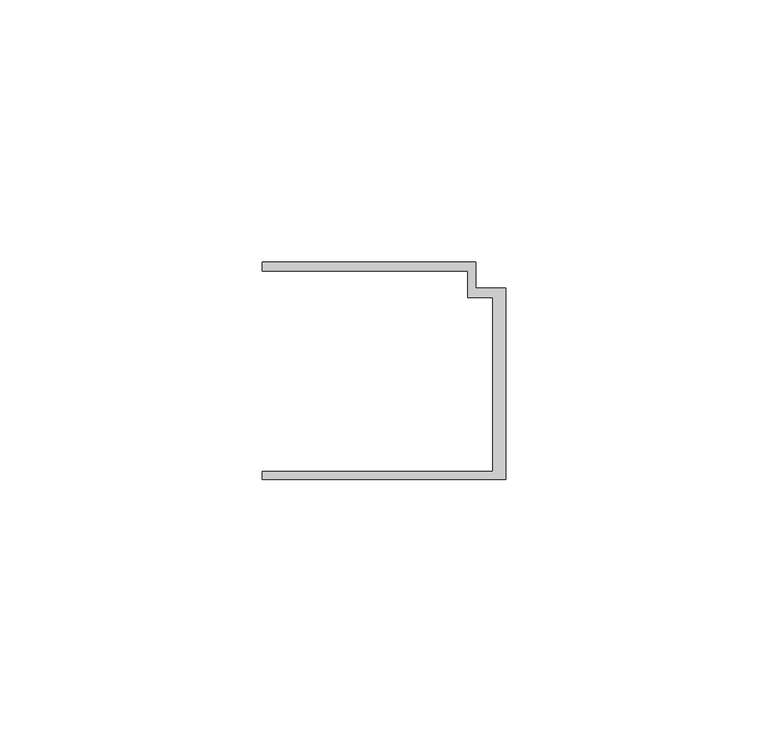
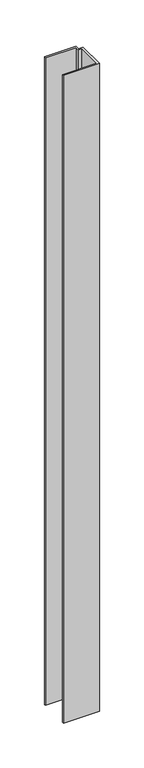
"""IFC4 building model written with IfcOpenShell, lengths in millimetres: member geometry."""

from ifc_helpers import new_model, si_unit, frame, origin, place, context, project, spatial, polyline, outline, extrude, source, transform, mapped, element, save


def member_7de51748(model_context):
    return source(origin(), model_context, "Body", "SweptSolid", [
        extrude(outline(polyline([(-46.3, -19.2), (-2.4, -19.2), (-2.4, 14.0), (-7.2, 14.0), (-7.2, 19.0), (-46.3, 19.0), (-46.3, 20.7), (-5.6999992, 20.7), (-5.6999992, 15.8), (0.0, 15.8), (0.0, -20.7), (-46.3, -20.7), (-46.3, -19.2)])), frame((0.0, 0.0, -880.3602632), z_axis=(0.0, 0.0, 1.0), x_axis=(1.0, 0.0, 0.0)), (0.0, 0.0, 1.0), 880.3602632),
    ])


if __name__ == "__main__":
    model = new_model("IFC4")
    model_context = context("Model", 3, world=origin())
    ifc_project = project(units=[si_unit("LENGTHUNIT", "METRE", prefix="MILLI")], contexts=[model_context])
    site = spatial("IfcSite", under=ifc_project)
    building = spatial("IfcBuilding", under=site)
    placement = place(None, origin())
    member_shape = member_7de51748(model_context)
    element("IfcMember", 1, at=placement, inside=building, context=model_context, shape_type="MappedRepresentation", body=[
        mapped(member_shape, transform((0.0, 0.0, 0.0), x_axis=(1.0, 0.0, 0.0), y_axis=(0.0, 1.0, 0.0), z_axis=(0.0, 0.0, 1.0))),
    ])
    save(model, "model.ifc")
